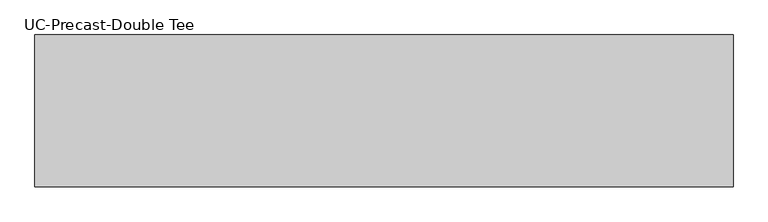
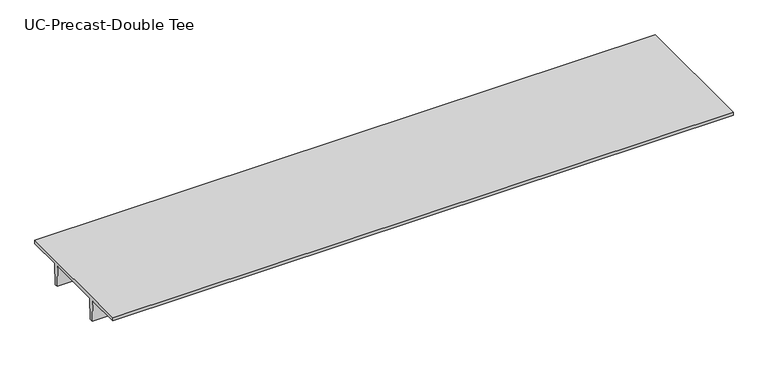
"""IFC4 building model written with IfcOpenShell, lengths in millimetres: beam geometry, UC-Precast-Double Tee."""

from ifc_helpers import new_model, si_unit, frame, origin, place, context, project, spatial, polyline, outline, extrude, source, transform, mapped, element, save


def uc_precast_double_tee_0ce0aa73(model_context):
    return source(origin(), model_context, "Body", "SweptSolid", [
        extrude(outline(polyline([(2032.0, 381.0), (2032.0, 279.4), (990.6, 279.4), (965.2, -381.0), (863.6, -381.0), (838.2, 279.4), (-838.2, 279.4), (-863.6, -381.0), (-965.2, -381.0), (-990.6, 279.4), (-2032.0, 279.4), (-2032.0, 381.0), (2032.0, 381.0)])), frame((-9436.1, 0.0, 0.0), z_axis=(1.0, 0.0, 0.0), x_axis=(0.0, 1.0, 0.0)), (0.0, 0.0, 1.0), 18681.7),
    ])


if __name__ == "__main__":
    model = new_model("IFC4")
    model_context = context("Model", 3, world=origin())
    ifc_project = project(units=[si_unit("LENGTHUNIT", "METRE", prefix="MILLI")], contexts=[model_context])
    site = spatial("IfcSite", under=ifc_project)
    building = spatial("IfcBuilding", under=site)
    placement = place(None, origin())
    uc_precast_double_tee_shape = uc_precast_double_tee_0ce0aa73(model_context)
    element("IfcBeam", 1, ObjectType="UC-Precast-Double Tee", at=placement, inside=building, context=model_context, shape_type="MappedRepresentation", body=[
        mapped(uc_precast_double_tee_shape, transform((0.0, 0.0, 0.0), x_axis=(1.0, 0.0, 0.0), y_axis=(0.0, 1.0, 0.0), z_axis=(0.0, 0.0, 1.0))),
    ])
    save(model, "model.ifc")
